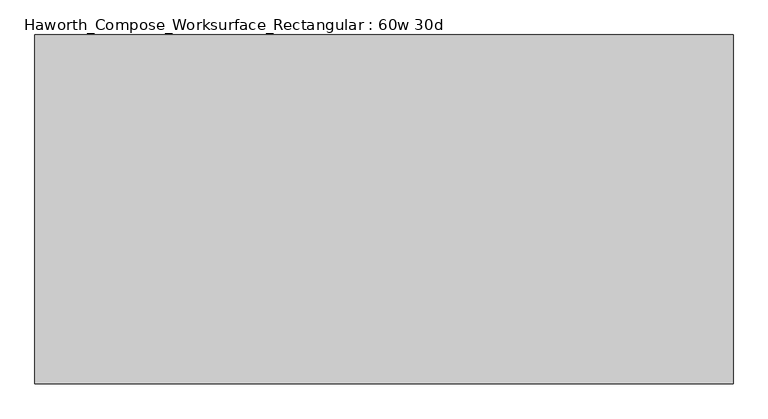
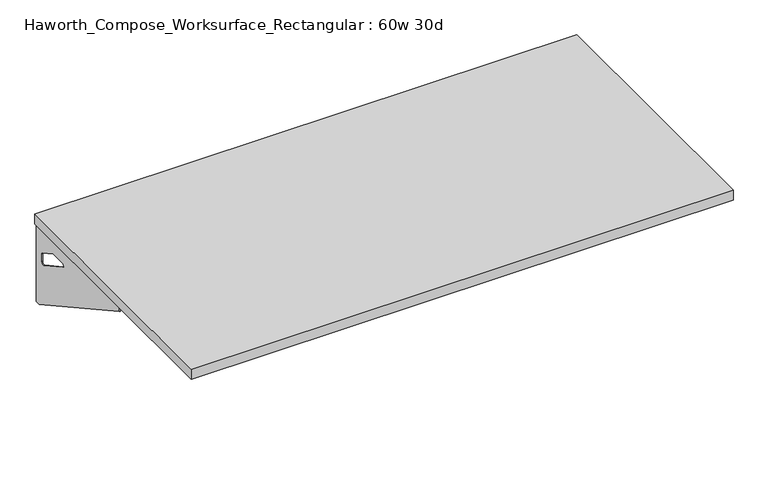
"""IFC4 building model written with IfcOpenShell, lengths in millimetres: furniture geometry, Haworth_Compose_Worksurface_Rectangular : 60w 30d."""

from ifc_helpers import new_model, si_unit, frame, origin, place, context, project, spatial, polyline, circle_curve, outline, extrude, source, transform, mapped, element, save
from ifc_brep_helpers import plane_surface, revolved_surface, advanced_brep


def haworth_compose_worksurface_rectangular_60w_30d_bf98df54(model_context):
    return source(origin(), model_context, "Body", "SolidModel", [
        advanced_brep(
        [(756.44375, 381.0, 475.45625), (756.44375, 365.125, 475.45625), (756.44375, -25.4, 691.7192568), (756.44375, -25.4, 704.05625), (756.44375, 365.125, 704.05625), (756.44375, 381.0, 704.05625), (756.44375, 297.690072, 665.95625), (756.44375, 254.0355284, 665.95625), (756.44375, 251.3564235, 656.3705539), (756.44375, 343.0776173, 605.5776439), (756.44375, 352.425, 611.1756969), (756.44375, 352.425, 634.6860246), (756.44375, 350.6730055, 637.5242776), (756.44375, 300.7663437, 665.1613425), (758.825, 381.0, 475.45625), (758.825, 381.0, 704.05625), (758.825, 365.125, 704.05625), (758.825, 365.125, 706.4375), (758.825, -25.4, 706.4375), (758.825, -25.4, 691.7192568), (758.825, 365.125, 475.45625), (758.825, 297.690072, 665.95625), (758.825, 300.7663437, 665.1613425), (758.825, 350.6730055, 637.5242776), (758.825, 352.425, 634.6860246), (758.825, 352.425, 611.1756969), (758.825, 343.0776173, 605.5776439), (758.825, 251.3564235, 656.3705539), (758.825, 254.0355284, 665.95625), (717.55, -25.4, 706.4375), (717.55, -25.4, 704.05625), (717.55, 365.125, 704.05625), (717.55, 365.125, 706.4375)],
        [
            (0, 1),
            (1, 2),
            (2, 3),
            (3, 4),
            (4, 5),
            (5, 0),
            (6, 7),
            (7, 8, circle_curve(frame((756.44375, 254.0355284, 660.7890106), z_axis=(1.0, 0.0, 0.0), x_axis=(0.0, -1.0, 0.0)), 5.1672394)),
            (8, 9),
            (9, 10, circle_curve(frame((756.44375, 346.075, 611.1756969), z_axis=(1.0, 0.0, 0.0), x_axis=(0.0, -1.0, 0.0)), 6.35)),
            (10, 11),
            (11, 12, circle_curve(frame((756.44375, 349.25, 634.6860246), z_axis=(1.0, 0.0, 0.0), x_axis=(0.0, -1.0, 0.0)), 3.175)),
            (12, 13),
            (13, 6, circle_curve(frame((756.44375, 297.690072, 659.60625), z_axis=(1.0, 0.0, 0.0), x_axis=(0.0, -1.0, 0.0)), 6.35)),
            (14, 15),
            (15, 16),
            (16, 17),
            (17, 18),
            (18, 19),
            (19, 20),
            (20, 14),
            (21, 22, circle_curve(frame((758.825, 297.690072, 659.60625), z_axis=(-1.0, 0.0, 0.0), x_axis=(0.0, -1.0, 0.0)), 6.35)),
            (22, 23),
            (23, 24, circle_curve(frame((758.825, 349.25, 634.6860246), z_axis=(-1.0, 0.0, 0.0), x_axis=(0.0, -1.0, 0.0)), 3.175)),
            (24, 25),
            (25, 26, circle_curve(frame((758.825, 346.075, 611.1756969), z_axis=(-1.0, 0.0, 0.0), x_axis=(0.0, -1.0, 0.0)), 6.35)),
            (26, 27),
            (27, 28, circle_curve(frame((758.825, 254.0355284, 660.7890106), z_axis=(-1.0, 0.0, 0.0), x_axis=(0.0, -1.0, 0.0)), 5.1672394)),
            (28, 21),
            (4, 16),
            (15, 5),
            (14, 0),
            (20, 1),
            (19, 2),
            (18, 29),
            (29, 30),
            (30, 3),
            (6, 21),
            (28, 7),
            (9, 26),
            (25, 10),
            (24, 11),
            (23, 12),
            (27, 8),
            (31, 4),
            (30, 31),
            (32, 29),
            (17, 32),
            (31, 32),
            (22, 13),
        ],
        [
            plane_surface(frame((756.44375, 381.0, 475.45625), z_axis=(-1.0, 0.0, 0.0), x_axis=(0.0, 1.0, 0.0))),
            plane_surface(frame((758.825, 381.0, 475.45625), z_axis=(1.0, 0.0, 0.0), x_axis=(0.0, -1.0, 0.0))),
            plane_surface(frame((758.825, -25.4, 704.05625), z_axis=(0.0, 0.0, 1.0), x_axis=(-1.0, 0.0, 0.0))),
            plane_surface(frame((758.825, 381.0, 704.05625), z_axis=(0.0, 1.0, 0.0), x_axis=(-1.0, 0.0, 0.0))),
            plane_surface(frame((758.825, 381.0, 475.45625), z_axis=(0.0, 0.0, -1.0), x_axis=(-1.0, 0.0, 0.0))),
            plane_surface(frame((758.825, 365.125, 475.45625), z_axis=(0.0, -0.48445223513455843, -0.8748177135112952), x_axis=(-1.0, 0.0, 0.0))),
            plane_surface(frame((758.825, -25.4, 691.7192568), z_axis=(0.0, -1.0, 0.0), x_axis=(-1.0, 0.0, 0.0))),
            plane_surface(frame((758.825, 297.690072, 665.95625), z_axis=(0.0, 0.0, -1.0), x_axis=(-1.0, 0.0, 0.0))),
            revolved_surface(polyline([(756.44375, 339.72499999999997, 611.1756969), (758.825, 339.72499999999997, 611.1756969)]), (758.825, 346.075, 611.1756969), (-1.0, 0.0, 0.0)),
            plane_surface(frame((758.825, 352.425, 611.1756969), z_axis=(0.0, -1.0, 0.0), x_axis=(-1.0, 0.0, 0.0))),
            revolved_surface(polyline([(756.44375, 346.075, 634.6860246), (758.825, 346.075, 634.6860246)]), (758.825, 349.25, 634.6860246), (-1.0, 0.0, 0.0)),
            revolved_surface(polyline([(756.44375, 248.868289, 660.7890106), (758.825, 248.868289, 660.7890106)]), (758.825, 254.0355284, 660.7890106), (-1.0, 0.0, 0.0)),
            plane_surface(frame((758.825, 365.125, 704.05625), z_axis=(0.0, 0.0, -1.0), x_axis=(-1.0, 0.0, 0.0))),
            plane_surface(frame((758.825, 365.125, 706.4375), z_axis=(0.0, 0.0, 1.0), x_axis=(1.0, 0.0, 0.0))),
            plane_surface(frame((717.55, 365.125, 706.4375), z_axis=(0.0, 1.0, 0.0), x_axis=(0.0, 0.0, -1.0))),
            plane_surface(frame((717.55, -25.4, 706.4375), z_axis=(-1.0, 0.0, 0.0), x_axis=(0.0, 0.0, -1.0))),
            plane_surface(frame((758.825, 251.3564235, 656.3705539), z_axis=(0.0, 0.4844522351345583, 0.8748177135112953), x_axis=(-1.0, 0.0, 0.0))),
            plane_surface(frame((758.825, 350.6730055, 637.5242776), z_axis=(0.0, -0.4844522351345582, -0.8748177135112953), x_axis=(-1.0, 0.0, 0.0))),
            revolved_surface(polyline([(756.44375, 291.34007199999996, 659.60625), (758.825, 291.34007199999996, 659.60625)]), (758.825, 297.690072, 659.60625), (-1.0, 0.0, 0.0)),
        ],
        [
            (0, [[1, 2, 3, 4, 5, 6], [7, 8, 9, 10, 11, 12, 13, 14]]),
            (1, [[15, 16, 17, 18, 19, 20, 21], [22, 23, 24, 25, 26, 27, 28, 29]]),
            (2, [[-5, 30, -16, 31]]),
            (3, [[-31, -15, 32, -6]]),
            (4, [[-32, -21, 33, -1]]),
            (5, [[-33, -20, 34, -2]]),
            (6, [[-34, -19, 35, 36, 37, -3]]),
            (7, [[38, -29, 39, -7]]),
            (8, [[40, -26, 41, -10]]),
            (9, [[-41, -25, 42, -11]]),
            (10, [[-42, -24, 43, -12]]),
            (11, [[-39, -28, 44, -8]]),
            (12, [[45, -4, -37, 46]]),
            (13, [[47, -35, -18, 48]]),
            (14, [[-17, -30, -45, 49, -48]]),
            (15, [[-36, -47, -49, -46]]),
            (16, [[-44, -27, -40, -9]]),
            (17, [[-43, -23, 50, -13]]),
            (18, [[-50, -22, -38, -14]]),
        ],
    ),
        advanced_brep(
        [(-756.44375, 381.0, 475.45625), (-756.44375, 381.0, 704.05625), (-756.44375, 365.125, 704.05625), (-756.44375, -25.4, 704.05625), (-756.44375, -25.4, 691.7192568), (-756.44375, 365.125, 475.45625), (-756.44375, 297.690072, 665.95625), (-756.44375, 300.7663437, 665.1613425), (-756.44375, 350.6730055, 637.5242776), (-756.44375, 352.425, 634.6860246), (-756.44375, 352.425, 611.1756969), (-756.44375, 343.0776173, 605.5776439), (-756.44375, 251.3564235, 656.3705539), (-756.44375, 254.0355284, 665.95625), (-758.825, 381.0, 475.45625), (-758.825, 365.125, 475.45625), (-758.825, -25.4, 691.7192568), (-758.825, -25.4, 706.4375), (-758.825, 365.125, 706.4375), (-758.825, 365.125, 704.05625), (-758.825, 381.0, 704.05625), (-758.825, 297.690072, 665.95625), (-758.825, 254.0355284, 665.95625), (-758.825, 251.3564235, 656.3705539), (-758.825, 343.0776173, 605.5776439), (-758.825, 352.425, 611.1756969), (-758.825, 352.425, 634.6860246), (-758.825, 350.6730055, 637.5242776), (-758.825, 300.7663437, 665.1613425), (-717.55, -25.4, 704.05625), (-717.55, -25.4, 706.4375), (-717.55, 365.125, 704.05625), (-717.55, 365.125, 706.4375)],
        [
            (0, 1),
            (1, 2),
            (2, 3),
            (3, 4),
            (4, 5),
            (5, 0),
            (6, 7, circle_curve(frame((-756.44375, 297.690072, 659.60625), z_axis=(-1.0, 0.0, 0.0), x_axis=(0.0, -1.0, 0.0)), 6.35)),
            (7, 8),
            (8, 9, circle_curve(frame((-756.44375, 349.25, 634.6860246), z_axis=(-1.0, 0.0, 0.0), x_axis=(0.0, -1.0, 0.0)), 3.175)),
            (9, 10),
            (10, 11, circle_curve(frame((-756.44375, 346.075, 611.1756969), z_axis=(-1.0, 0.0, 0.0), x_axis=(0.0, -1.0, 0.0)), 6.35)),
            (11, 12),
            (12, 13, circle_curve(frame((-756.44375, 254.0355284, 660.7890106), z_axis=(-1.0, 0.0, 0.0), x_axis=(0.0, -1.0, 0.0)), 5.1672394)),
            (13, 6),
            (14, 15),
            (15, 16),
            (16, 17),
            (17, 18),
            (18, 19),
            (19, 20),
            (20, 14),
            (21, 22),
            (22, 23, circle_curve(frame((-758.825, 254.0355284, 660.7890106), z_axis=(1.0, 0.0, 0.0), x_axis=(0.0, -1.0, 0.0)), 5.1672394)),
            (23, 24),
            (24, 25, circle_curve(frame((-758.825, 346.075, 611.1756969), z_axis=(1.0, 0.0, 0.0), x_axis=(0.0, -1.0, 0.0)), 6.35)),
            (25, 26),
            (26, 27, circle_curve(frame((-758.825, 349.25, 634.6860246), z_axis=(1.0, 0.0, 0.0), x_axis=(0.0, -1.0, 0.0)), 3.175)),
            (27, 28),
            (28, 21, circle_curve(frame((-758.825, 297.690072, 659.60625), z_axis=(1.0, 0.0, 0.0), x_axis=(0.0, -1.0, 0.0)), 6.35)),
            (1, 20),
            (19, 2),
            (0, 14),
            (5, 15),
            (4, 16),
            (3, 29),
            (29, 30),
            (30, 17),
            (13, 22),
            (21, 6),
            (10, 25),
            (24, 11),
            (9, 26),
            (8, 27),
            (12, 23),
            (31, 29),
            (2, 31),
            (32, 18),
            (30, 32),
            (32, 31),
            (7, 28),
        ],
        [
            plane_surface(frame((-756.44375, 381.0, 475.45625), z_axis=(1.0, 0.0, 0.0), x_axis=(0.0, 1.0, 0.0))),
            plane_surface(frame((-758.825, 381.0, 475.45625), z_axis=(-1.0, 0.0, 0.0), x_axis=(0.0, -1.0, 0.0))),
            plane_surface(frame((-758.825, -25.4, 704.05625), z_axis=(0.0, 0.0, 1.0), x_axis=(1.0, 0.0, 0.0))),
            plane_surface(frame((-758.825, 381.0, 704.05625), z_axis=(0.0, 1.0, 0.0), x_axis=(1.0, 0.0, 0.0))),
            plane_surface(frame((-758.825, 381.0, 475.45625), z_axis=(0.0, 0.0, -1.0), x_axis=(1.0, 0.0, 0.0))),
            plane_surface(frame((-758.825, 365.125, 475.45625), z_axis=(0.0, -0.48445223513455843, -0.8748177135112952), x_axis=(1.0, 0.0, 0.0))),
            plane_surface(frame((-758.825, -25.4, 691.7192568), z_axis=(0.0, -1.0, 0.0), x_axis=(1.0, 0.0, 0.0))),
            plane_surface(frame((-758.825, 297.690072, 665.95625), z_axis=(0.0, 0.0, -1.0), x_axis=(1.0, 0.0, 0.0))),
            revolved_surface(polyline([(-756.44375, 339.72499999999997, 611.1756969), (-758.825, 339.72499999999997, 611.1756969)]), (-758.825, 346.075, 611.1756969), (1.0, 0.0, 0.0)),
            plane_surface(frame((-758.825, 352.425, 611.1756969), z_axis=(0.0, -1.0, 0.0), x_axis=(1.0, 0.0, 0.0))),
            revolved_surface(polyline([(-756.44375, 346.075, 634.6860246), (-758.825, 346.075, 634.6860246)]), (-758.825, 349.25, 634.6860246), (1.0, 0.0, 0.0)),
            revolved_surface(polyline([(-756.44375, 248.868289, 660.7890106), (-758.825, 248.868289, 660.7890106)]), (-758.825, 254.0355284, 660.7890106), (1.0, 0.0, 0.0)),
            plane_surface(frame((-758.825, 365.125, 704.05625), z_axis=(0.0, 0.0, -1.0), x_axis=(1.0, 0.0, 0.0))),
            plane_surface(frame((-758.825, 365.125, 706.4375), z_axis=(0.0, 0.0, 1.0), x_axis=(-1.0, 0.0, 0.0))),
            plane_surface(frame((-717.55, 365.125, 706.4375), z_axis=(0.0, 1.0, 0.0), x_axis=(0.0, 0.0, -1.0))),
            plane_surface(frame((-717.55, -25.4, 706.4375), z_axis=(1.0, 0.0, 0.0), x_axis=(0.0, 0.0, -1.0))),
            plane_surface(frame((-758.825, 251.3564235, 656.3705539), z_axis=(0.0, 0.4844522351345583, 0.8748177135112953), x_axis=(1.0, 0.0, 0.0))),
            plane_surface(frame((-758.825, 350.6730055, 637.5242776), z_axis=(0.0, -0.4844522351345582, -0.8748177135112953), x_axis=(1.0, 0.0, 0.0))),
            revolved_surface(polyline([(-756.44375, 291.34007199999996, 659.60625), (-758.825, 291.34007199999996, 659.60625)]), (-758.825, 297.690072, 659.60625), (1.0, 0.0, 0.0)),
        ],
        [
            (0, [[1, 2, 3, 4, 5, 6], [7, 8, 9, 10, 11, 12, 13, 14]]),
            (1, [[15, 16, 17, 18, 19, 20, 21], [22, 23, 24, 25, 26, 27, 28, 29]]),
            (2, [[30, -20, 31, -2]]),
            (3, [[-1, 32, -21, -30]]),
            (4, [[-6, 33, -15, -32]]),
            (5, [[-5, 34, -16, -33]]),
            (6, [[-4, 35, 36, 37, -17, -34]]),
            (7, [[-14, 38, -22, 39]]),
            (8, [[-11, 40, -25, 41]]),
            (9, [[-10, 42, -26, -40]]),
            (10, [[-9, 43, -27, -42]]),
            (11, [[-13, 44, -23, -38]]),
            (12, [[45, -35, -3, 46]]),
            (13, [[47, -18, -37, 48]]),
            (14, [[-47, 49, -46, -31, -19]]),
            (15, [[-45, -49, -48, -36]]),
            (16, [[-12, -41, -24, -44]]),
            (17, [[-8, 50, -28, -43]]),
            (18, [[-7, -39, -29, -50]]),
        ],
    ),
        extrude(outline(polyline([(762.0, 381.0), (762.0, -381.0), (-762.0, -381.0), (-762.0, 381.0), (762.0, 381.0)])), frame((0.0, 0.0, 706.4375), z_axis=(0.0, 0.0, 1.0), x_axis=(1.0, 0.0, 0.0)), (0.0, 0.0, 1.0), 30.1625),
    ])


if __name__ == "__main__":
    model = new_model("IFC4")
    model_context = context("Model", 3, world=origin())
    ifc_project = project(units=[si_unit("LENGTHUNIT", "METRE", prefix="MILLI")], contexts=[model_context])
    site = spatial("IfcSite", under=ifc_project)
    building = spatial("IfcBuilding", under=site)
    placement = place(None, origin())
    haworth_compose_worksurface_rectangular_60w_30d_shape = haworth_compose_worksurface_rectangular_60w_30d_bf98df54(model_context)
    element("IfcFurniture", 1, ObjectType="Haworth_Compose_Worksurface_Rectangular : 60w 30d", at=placement, inside=building, context=model_context, shape_type="MappedRepresentation", body=[
        mapped(haworth_compose_worksurface_rectangular_60w_30d_shape, transform((0.0, 0.0, 0.0), x_axis=(1.0, 0.0, 0.0), y_axis=(0.0, 1.0, 0.0), z_axis=(0.0, 0.0, 1.0))),
    ])
    save(model, "model.ifc")
